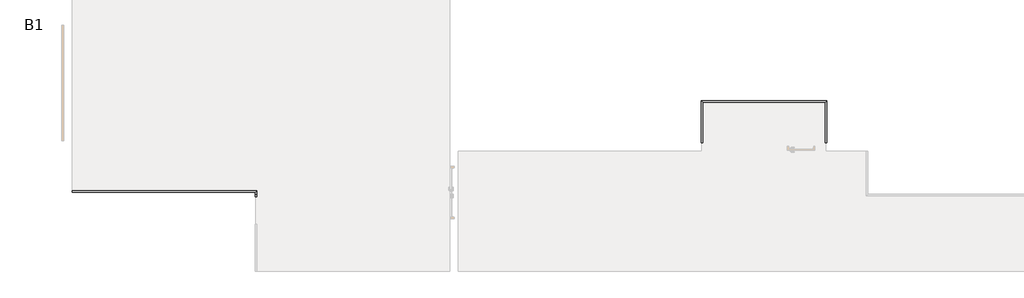
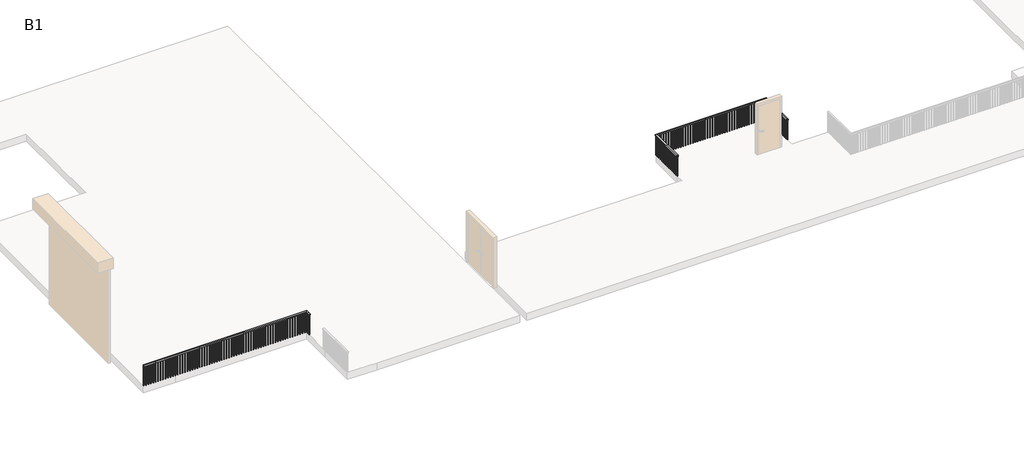
# One storey, part 3 of 6: 2 railings.
"""IFC4 building model written with IfcOpenShell, lengths in millimetres."""

from ifc_helpers import new_model, si_unit, frame, origin, place, context, project, spatial, polyline, outline, extrude, faceted_brep, element, save

model = new_model("IFC4")

# Units and contexts
model_context = context("Model", 3, world=origin())
ifc_project = project(units=[si_unit("LENGTHUNIT", "METRE", prefix="MILLI")], contexts=[model_context])

# Site, building, storey
site = spatial("IfcSite", under=ifc_project)
building = spatial("IfcBuilding", under=site)
storey = spatial("IfcBuildingStorey", under=building, Name="B1", Elevation=-6096.0)

# Railings
placement = place(None, origin())
element("IfcRailing", 1, ObjectType="Handrail - Rectangular", at=placement, inside=storey, context=model_context, shape_type="SolidModel", body=[
    faceted_brep([(4596.5599268, -13215.4558393, -5181.6), (4596.5599268, -13215.4558393, -5232.4), (4596.5599268, -13266.2558393, -5232.4), (4596.5599268, -13266.2558393, -5181.6), (11403.7599268, -13215.4558393, -5181.6), (11403.7599268, -13215.4558393, -5232.4), (11352.9599268, -13266.2558393, -5232.4), (11352.9599268, -13266.2558393, -5181.6), (11403.7599268, -13342.4558393, -5181.6), (11403.7599268, -13342.4558393, -5232.4), (11352.9599268, -13342.4558393, -5232.4), (11352.9599268, -13342.4558393, -5181.6), (11403.7599268, -13444.0558393, -5181.6), (11352.9599268, -13444.0558393, -5181.6), (11352.9599268, -13444.0558393, -5232.4), (11403.7599268, -13444.0558393, -5232.4)], [[[0, 1, 2, 3]], [[1, 0, 4, 5]], [[2, 1, 5, 6]], [[3, 2, 6, 7]], [[0, 3, 7, 4]], [[5, 4, 8, 9]], [[6, 5, 9, 10]], [[7, 6, 10, 11]], [[4, 7, 11, 8]], [[12, 13, 14, 15]], [[9, 8, 12, 15]], [[10, 9, 15, 14]], [[11, 10, 14, 13]], [[8, 11, 13, 12]]]),
    extrude(outline(polyline([(11292.6349268, -13250.3808393), (11292.6349268, -13231.3308393), (11311.6849268, -13231.3308393), (11311.6849268, -13250.3808393), (11292.6349268, -13250.3808393)])), frame((0.0, 0.0, -6096.0), z_axis=(0.0, 0.0, 1.0), x_axis=(1.0, 0.0, 0.0)), (0.0, 0.0, 1.0), 863.6),
    extrude(outline(polyline([(11191.0349268, -13250.3808393), (11191.0349268, -13231.3308393), (11210.0849268, -13231.3308393), (11210.0849268, -13250.3808393), (11191.0349268, -13250.3808393)])), frame((0.0, 0.0, -6096.0), z_axis=(0.0, 0.0, 1.0), x_axis=(1.0, 0.0, 0.0)), (0.0, 0.0, 1.0), 863.6),
    extrude(outline(polyline([(11089.4349268, -13250.3808393), (11089.4349268, -13231.3308393), (11108.4849268, -13231.3308393), (11108.4849268, -13250.3808393), (11089.4349268, -13250.3808393)])), frame((0.0, 0.0, -6096.0), z_axis=(0.0, 0.0, 1.0), x_axis=(1.0, 0.0, 0.0)), (0.0, 0.0, 1.0), 863.6),
    extrude(outline(polyline([(10987.8349268, -13250.3808393), (10987.8349268, -13231.3308393), (11006.8849268, -13231.3308393), (11006.8849268, -13250.3808393), (10987.8349268, -13250.3808393)])), frame((0.0, 0.0, -6096.0), z_axis=(0.0, 0.0, 1.0), x_axis=(1.0, 0.0, 0.0)), (0.0, 0.0, 1.0), 863.6),
    extrude(outline(polyline([(10886.2349268, -13250.3808393), (10886.2349268, -13231.3308393), (10905.2849268, -13231.3308393), (10905.2849268, -13250.3808393), (10886.2349268, -13250.3808393)])), frame((0.0, 0.0, -6096.0), z_axis=(0.0, 0.0, 1.0), x_axis=(1.0, 0.0, 0.0)), (0.0, 0.0, 1.0), 863.6),
    extrude(outline(polyline([(10784.6349268, -13250.3808393), (10784.6349268, -13231.3308393), (10803.6849268, -13231.3308393), (10803.6849268, -13250.3808393), (10784.6349268, -13250.3808393)])), frame((0.0, 0.0, -6096.0), z_axis=(0.0, 0.0, 1.0), x_axis=(1.0, 0.0, 0.0)), (0.0, 0.0, 1.0), 863.6),
    extrude(outline(polyline([(10683.0349268, -13250.3808393), (10683.0349268, -13231.3308393), (10702.0849268, -13231.3308393), (10702.0849268, -13250.3808393), (10683.0349268, -13250.3808393)])), frame((0.0, 0.0, -6096.0), z_axis=(0.0, 0.0, 1.0), x_axis=(1.0, 0.0, 0.0)), (0.0, 0.0, 1.0), 863.6),
    extrude(outline(polyline([(10581.4349268, -13250.3808393), (10581.4349268, -13231.3308393), (10600.4849268, -13231.3308393), (10600.4849268, -13250.3808393), (10581.4349268, -13250.3808393)])), frame((0.0, 0.0, -6096.0), z_axis=(0.0, 0.0, 1.0), x_axis=(1.0, 0.0, 0.0)), (0.0, 0.0, 1.0), 863.6),
    extrude(outline(polyline([(10479.8349268, -13250.3808393), (10479.8349268, -13231.3308393), (10498.8849268, -13231.3308393), (10498.8849268, -13250.3808393), (10479.8349268, -13250.3808393)])), frame((0.0, 0.0, -6096.0), z_axis=(0.0, 0.0, 1.0), x_axis=(1.0, 0.0, 0.0)), (0.0, 0.0, 1.0), 863.6),
    extrude(outline(polyline([(10378.2349268, -13250.3808393), (10378.2349268, -13231.3308393), (10397.2849268, -13231.3308393), (10397.2849268, -13250.3808393), (10378.2349268, -13250.3808393)])), frame((0.0, 0.0, -6096.0), z_axis=(0.0, 0.0, 1.0), x_axis=(1.0, 0.0, 0.0)), (0.0, 0.0, 1.0), 863.6),
    extrude(outline(polyline([(10276.6349268, -13250.3808393), (10276.6349268, -13231.3308393), (10295.6849268, -13231.3308393), (10295.6849268, -13250.3808393), (10276.6349268, -13250.3808393)])), frame((0.0, 0.0, -6096.0), z_axis=(0.0, 0.0, 1.0), x_axis=(1.0, 0.0, 0.0)), (0.0, 0.0, 1.0), 863.6),
    extrude(outline(polyline([(10175.0349268, -13250.3808393), (10175.0349268, -13231.3308393), (10194.0849268, -13231.3308393), (10194.0849268, -13250.3808393), (10175.0349268, -13250.3808393)])), frame((0.0, 0.0, -6096.0), z_axis=(0.0, 0.0, 1.0), x_axis=(1.0, 0.0, 0.0)), (0.0, 0.0, 1.0), 863.6),
    extrude(outline(polyline([(10073.4349268, -13250.3808393), (10073.4349268, -13231.3308393), (10092.4849268, -13231.3308393), (10092.4849268, -13250.3808393), (10073.4349268, -13250.3808393)])), frame((0.0, 0.0, -6096.0), z_axis=(0.0, 0.0, 1.0), x_axis=(1.0, 0.0, 0.0)), (0.0, 0.0, 1.0), 863.6),
    extrude(outline(polyline([(9971.8349268, -13250.3808393), (9971.8349268, -13231.3308393), (9990.8849268, -13231.3308393), (9990.8849268, -13250.3808393), (9971.8349268, -13250.3808393)])), frame((0.0, 0.0, -6096.0), z_axis=(0.0, 0.0, 1.0), x_axis=(1.0, 0.0, 0.0)), (0.0, 0.0, 1.0), 863.6),
    extrude(outline(polyline([(9870.2349268, -13250.3808393), (9870.2349268, -13231.3308393), (9889.2849268, -13231.3308393), (9889.2849268, -13250.3808393), (9870.2349268, -13250.3808393)])), frame((0.0, 0.0, -6096.0), z_axis=(0.0, 0.0, 1.0), x_axis=(1.0, 0.0, 0.0)), (0.0, 0.0, 1.0), 863.6),
    extrude(outline(polyline([(9768.6349268, -13250.3808393), (9768.6349268, -13231.3308393), (9787.6849268, -13231.3308393), (9787.6849268, -13250.3808393), (9768.6349268, -13250.3808393)])), frame((0.0, 0.0, -6096.0), z_axis=(0.0, 0.0, 1.0), x_axis=(1.0, 0.0, 0.0)), (0.0, 0.0, 1.0), 863.6),
    extrude(outline(polyline([(9667.0349268, -13250.3808393), (9667.0349268, -13231.3308393), (9686.0849268, -13231.3308393), (9686.0849268, -13250.3808393), (9667.0349268, -13250.3808393)])), frame((0.0, 0.0, -6096.0), z_axis=(0.0, 0.0, 1.0), x_axis=(1.0, 0.0, 0.0)), (0.0, 0.0, 1.0), 863.6),
    extrude(outline(polyline([(9565.4349268, -13250.3808393), (9565.4349268, -13231.3308393), (9584.4849268, -13231.3308393), (9584.4849268, -13250.3808393), (9565.4349268, -13250.3808393)])), frame((0.0, 0.0, -6096.0), z_axis=(0.0, 0.0, 1.0), x_axis=(1.0, 0.0, 0.0)), (0.0, 0.0, 1.0), 863.6),
    extrude(outline(polyline([(9463.8349268, -13250.3808393), (9463.8349268, -13231.3308393), (9482.8849268, -13231.3308393), (9482.8849268, -13250.3808393), (9463.8349268, -13250.3808393)])), frame((0.0, 0.0, -6096.0), z_axis=(0.0, 0.0, 1.0), x_axis=(1.0, 0.0, 0.0)), (0.0, 0.0, 1.0), 863.6),
    extrude(outline(polyline([(9362.2349268, -13250.3808393), (9362.2349268, -13231.3308393), (9381.2849268, -13231.3308393), (9381.2849268, -13250.3808393), (9362.2349268, -13250.3808393)])), frame((0.0, 0.0, -6096.0), z_axis=(0.0, 0.0, 1.0), x_axis=(1.0, 0.0, 0.0)), (0.0, 0.0, 1.0), 863.6),
    extrude(outline(polyline([(9260.6349268, -13250.3808393), (9260.6349268, -13231.3308393), (9279.6849268, -13231.3308393), (9279.6849268, -13250.3808393), (9260.6349268, -13250.3808393)])), frame((0.0, 0.0, -6096.0), z_axis=(0.0, 0.0, 1.0), x_axis=(1.0, 0.0, 0.0)), (0.0, 0.0, 1.0), 863.6),
    extrude(outline(polyline([(9159.0349268, -13250.3808393), (9159.0349268, -13231.3308393), (9178.0849268, -13231.3308393), (9178.0849268, -13250.3808393), (9159.0349268, -13250.3808393)])), frame((0.0, 0.0, -6096.0), z_axis=(0.0, 0.0, 1.0), x_axis=(1.0, 0.0, 0.0)), (0.0, 0.0, 1.0), 863.6),
    extrude(outline(polyline([(9057.4349268, -13250.3808393), (9057.4349268, -13231.3308393), (9076.4849268, -13231.3308393), (9076.4849268, -13250.3808393), (9057.4349268, -13250.3808393)])), frame((0.0, 0.0, -6096.0), z_axis=(0.0, 0.0, 1.0), x_axis=(1.0, 0.0, 0.0)), (0.0, 0.0, 1.0), 863.6),
    extrude(outline(polyline([(8955.8349268, -13250.3808393), (8955.8349268, -13231.3308393), (8974.8849268, -13231.3308393), (8974.8849268, -13250.3808393), (8955.8349268, -13250.3808393)])), frame((0.0, 0.0, -6096.0), z_axis=(0.0, 0.0, 1.0), x_axis=(1.0, 0.0, 0.0)), (0.0, 0.0, 1.0), 863.6),
    extrude(outline(polyline([(8854.2349268, -13250.3808393), (8854.2349268, -13231.3308393), (8873.2849268, -13231.3308393), (8873.2849268, -13250.3808393), (8854.2349268, -13250.3808393)])), frame((0.0, 0.0, -6096.0), z_axis=(0.0, 0.0, 1.0), x_axis=(1.0, 0.0, 0.0)), (0.0, 0.0, 1.0), 863.6),
    extrude(outline(polyline([(8752.6349268, -13250.3808393), (8752.6349268, -13231.3308393), (8771.6849268, -13231.3308393), (8771.6849268, -13250.3808393), (8752.6349268, -13250.3808393)])), frame((0.0, 0.0, -6096.0), z_axis=(0.0, 0.0, 1.0), x_axis=(1.0, 0.0, 0.0)), (0.0, 0.0, 1.0), 863.6),
    extrude(outline(polyline([(8651.0349268, -13250.3808393), (8651.0349268, -13231.3308393), (8670.0849268, -13231.3308393), (8670.0849268, -13250.3808393), (8651.0349268, -13250.3808393)])), frame((0.0, 0.0, -6096.0), z_axis=(0.0, 0.0, 1.0), x_axis=(1.0, 0.0, 0.0)), (0.0, 0.0, 1.0), 863.6),
    extrude(outline(polyline([(8549.4349268, -13250.3808393), (8549.4349268, -13231.3308393), (8568.4849268, -13231.3308393), (8568.4849268, -13250.3808393), (8549.4349268, -13250.3808393)])), frame((0.0, 0.0, -6096.0), z_axis=(0.0, 0.0, 1.0), x_axis=(1.0, 0.0, 0.0)), (0.0, 0.0, 1.0), 863.6),
    extrude(outline(polyline([(8447.8349268, -13250.3808393), (8447.8349268, -13231.3308393), (8466.8849268, -13231.3308393), (8466.8849268, -13250.3808393), (8447.8349268, -13250.3808393)])), frame((0.0, 0.0, -6096.0), z_axis=(0.0, 0.0, 1.0), x_axis=(1.0, 0.0, 0.0)), (0.0, 0.0, 1.0), 863.6),
    extrude(outline(polyline([(8346.2349268, -13250.3808393), (8346.2349268, -13231.3308393), (8365.2849268, -13231.3308393), (8365.2849268, -13250.3808393), (8346.2349268, -13250.3808393)])), frame((0.0, 0.0, -6096.0), z_axis=(0.0, 0.0, 1.0), x_axis=(1.0, 0.0, 0.0)), (0.0, 0.0, 1.0), 863.6),
    extrude(outline(polyline([(8244.6349268, -13250.3808393), (8244.6349268, -13231.3308393), (8263.6849268, -13231.3308393), (8263.6849268, -13250.3808393), (8244.6349268, -13250.3808393)])), frame((0.0, 0.0, -6096.0), z_axis=(0.0, 0.0, 1.0), x_axis=(1.0, 0.0, 0.0)), (0.0, 0.0, 1.0), 863.6),
    extrude(outline(polyline([(8143.0349268, -13250.3808393), (8143.0349268, -13231.3308393), (8162.0849268, -13231.3308393), (8162.0849268, -13250.3808393), (8143.0349268, -13250.3808393)])), frame((0.0, 0.0, -6096.0), z_axis=(0.0, 0.0, 1.0), x_axis=(1.0, 0.0, 0.0)), (0.0, 0.0, 1.0), 863.6),
    extrude(outline(polyline([(8041.4349268, -13250.3808393), (8041.4349268, -13231.3308393), (8060.4849268, -13231.3308393), (8060.4849268, -13250.3808393), (8041.4349268, -13250.3808393)])), frame((0.0, 0.0, -6096.0), z_axis=(0.0, 0.0, 1.0), x_axis=(1.0, 0.0, 0.0)), (0.0, 0.0, 1.0), 863.6),
    extrude(outline(polyline([(7939.8349268, -13250.3808393), (7939.8349268, -13231.3308393), (7958.8849268, -13231.3308393), (7958.8849268, -13250.3808393), (7939.8349268, -13250.3808393)])), frame((0.0, 0.0, -6096.0), z_axis=(0.0, 0.0, 1.0), x_axis=(1.0, 0.0, 0.0)), (0.0, 0.0, 1.0), 863.6),
    extrude(outline(polyline([(7838.2349268, -13250.3808393), (7838.2349268, -13231.3308393), (7857.2849268, -13231.3308393), (7857.2849268, -13250.3808393), (7838.2349268, -13250.3808393)])), frame((0.0, 0.0, -6096.0), z_axis=(0.0, 0.0, 1.0), x_axis=(1.0, 0.0, 0.0)), (0.0, 0.0, 1.0), 863.6),
    extrude(outline(polyline([(7736.6349268, -13250.3808393), (7736.6349268, -13231.3308393), (7755.6849268, -13231.3308393), (7755.6849268, -13250.3808393), (7736.6349268, -13250.3808393)])), frame((0.0, 0.0, -6096.0), z_axis=(0.0, 0.0, 1.0), x_axis=(1.0, 0.0, 0.0)), (0.0, 0.0, 1.0), 863.6),
    extrude(outline(polyline([(7635.0349268, -13250.3808393), (7635.0349268, -13231.3308393), (7654.0849268, -13231.3308393), (7654.0849268, -13250.3808393), (7635.0349268, -13250.3808393)])), frame((0.0, 0.0, -6096.0), z_axis=(0.0, 0.0, 1.0), x_axis=(1.0, 0.0, 0.0)), (0.0, 0.0, 1.0), 863.6),
    extrude(outline(polyline([(7533.4349268, -13250.3808393), (7533.4349268, -13231.3308393), (7552.4849268, -13231.3308393), (7552.4849268, -13250.3808393), (7533.4349268, -13250.3808393)])), frame((0.0, 0.0, -6096.0), z_axis=(0.0, 0.0, 1.0), x_axis=(1.0, 0.0, 0.0)), (0.0, 0.0, 1.0), 863.6),
    extrude(outline(polyline([(7431.8349268, -13250.3808393), (7431.8349268, -13231.3308393), (7450.8849268, -13231.3308393), (7450.8849268, -13250.3808393), (7431.8349268, -13250.3808393)])), frame((0.0, 0.0, -6096.0), z_axis=(0.0, 0.0, 1.0), x_axis=(1.0, 0.0, 0.0)), (0.0, 0.0, 1.0), 863.6),
    extrude(outline(polyline([(7330.2349268, -13250.3808393), (7330.2349268, -13231.3308393), (7349.2849268, -13231.3308393), (7349.2849268, -13250.3808393), (7330.2349268, -13250.3808393)])), frame((0.0, 0.0, -6096.0), z_axis=(0.0, 0.0, 1.0), x_axis=(1.0, 0.0, 0.0)), (0.0, 0.0, 1.0), 863.6),
    extrude(outline(polyline([(7228.6349268, -13250.3808393), (7228.6349268, -13231.3308393), (7247.6849268, -13231.3308393), (7247.6849268, -13250.3808393), (7228.6349268, -13250.3808393)])), frame((0.0, 0.0, -6096.0), z_axis=(0.0, 0.0, 1.0), x_axis=(1.0, 0.0, 0.0)), (0.0, 0.0, 1.0), 863.6),
    extrude(outline(polyline([(7127.0349268, -13250.3808393), (7127.0349268, -13231.3308393), (7146.0849268, -13231.3308393), (7146.0849268, -13250.3808393), (7127.0349268, -13250.3808393)])), frame((0.0, 0.0, -6096.0), z_axis=(0.0, 0.0, 1.0), x_axis=(1.0, 0.0, 0.0)), (0.0, 0.0, 1.0), 863.6),
    extrude(outline(polyline([(7025.4349268, -13250.3808393), (7025.4349268, -13231.3308393), (7044.4849268, -13231.3308393), (7044.4849268, -13250.3808393), (7025.4349268, -13250.3808393)])), frame((0.0, 0.0, -6096.0), z_axis=(0.0, 0.0, 1.0), x_axis=(1.0, 0.0, 0.0)), (0.0, 0.0, 1.0), 863.6),
    extrude(outline(polyline([(6923.8349268, -13250.3808393), (6923.8349268, -13231.3308393), (6942.8849268, -13231.3308393), (6942.8849268, -13250.3808393), (6923.8349268, -13250.3808393)])), frame((0.0, 0.0, -6096.0), z_axis=(0.0, 0.0, 1.0), x_axis=(1.0, 0.0, 0.0)), (0.0, 0.0, 1.0), 863.6),
    extrude(outline(polyline([(6822.2349268, -13250.3808393), (6822.2349268, -13231.3308393), (6841.2849268, -13231.3308393), (6841.2849268, -13250.3808393), (6822.2349268, -13250.3808393)])), frame((0.0, 0.0, -6096.0), z_axis=(0.0, 0.0, 1.0), x_axis=(1.0, 0.0, 0.0)), (0.0, 0.0, 1.0), 863.6),
    extrude(outline(polyline([(6720.6349268, -13250.3808393), (6720.6349268, -13231.3308393), (6739.6849268, -13231.3308393), (6739.6849268, -13250.3808393), (6720.6349268, -13250.3808393)])), frame((0.0, 0.0, -6096.0), z_axis=(0.0, 0.0, 1.0), x_axis=(1.0, 0.0, 0.0)), (0.0, 0.0, 1.0), 863.6),
    extrude(outline(polyline([(6619.0349268, -13250.3808393), (6619.0349268, -13231.3308393), (6638.0849268, -13231.3308393), (6638.0849268, -13250.3808393), (6619.0349268, -13250.3808393)])), frame((0.0, 0.0, -6096.0), z_axis=(0.0, 0.0, 1.0), x_axis=(1.0, 0.0, 0.0)), (0.0, 0.0, 1.0), 863.6),
    extrude(outline(polyline([(6517.4349268, -13250.3808393), (6517.4349268, -13231.3308393), (6536.4849268, -13231.3308393), (6536.4849268, -13250.3808393), (6517.4349268, -13250.3808393)])), frame((0.0, 0.0, -6096.0), z_axis=(0.0, 0.0, 1.0), x_axis=(1.0, 0.0, 0.0)), (0.0, 0.0, 1.0), 863.6),
    extrude(outline(polyline([(6415.8349268, -13250.3808393), (6415.8349268, -13231.3308393), (6434.8849268, -13231.3308393), (6434.8849268, -13250.3808393), (6415.8349268, -13250.3808393)])), frame((0.0, 0.0, -6096.0), z_axis=(0.0, 0.0, 1.0), x_axis=(1.0, 0.0, 0.0)), (0.0, 0.0, 1.0), 863.6),
    extrude(outline(polyline([(6314.2349268, -13250.3808393), (6314.2349268, -13231.3308393), (6333.2849268, -13231.3308393), (6333.2849268, -13250.3808393), (6314.2349268, -13250.3808393)])), frame((0.0, 0.0, -6096.0), z_axis=(0.0, 0.0, 1.0), x_axis=(1.0, 0.0, 0.0)), (0.0, 0.0, 1.0), 863.6),
    extrude(outline(polyline([(6212.6349268, -13250.3808393), (6212.6349268, -13231.3308393), (6231.6849268, -13231.3308393), (6231.6849268, -13250.3808393), (6212.6349268, -13250.3808393)])), frame((0.0, 0.0, -6096.0), z_axis=(0.0, 0.0, 1.0), x_axis=(1.0, 0.0, 0.0)), (0.0, 0.0, 1.0), 863.6),
    extrude(outline(polyline([(6111.0349268, -13250.3808393), (6111.0349268, -13231.3308393), (6130.0849268, -13231.3308393), (6130.0849268, -13250.3808393), (6111.0349268, -13250.3808393)])), frame((0.0, 0.0, -6096.0), z_axis=(0.0, 0.0, 1.0), x_axis=(1.0, 0.0, 0.0)), (0.0, 0.0, 1.0), 863.6),
    extrude(outline(polyline([(6009.4349268, -13250.3808393), (6009.4349268, -13231.3308393), (6028.4849268, -13231.3308393), (6028.4849268, -13250.3808393), (6009.4349268, -13250.3808393)])), frame((0.0, 0.0, -6096.0), z_axis=(0.0, 0.0, 1.0), x_axis=(1.0, 0.0, 0.0)), (0.0, 0.0, 1.0), 863.6),
    extrude(outline(polyline([(5907.8349268, -13250.3808393), (5907.8349268, -13231.3308393), (5926.8849268, -13231.3308393), (5926.8849268, -13250.3808393), (5907.8349268, -13250.3808393)])), frame((0.0, 0.0, -6096.0), z_axis=(0.0, 0.0, 1.0), x_axis=(1.0, 0.0, 0.0)), (0.0, 0.0, 1.0), 863.6),
    extrude(outline(polyline([(5806.2349268, -13250.3808393), (5806.2349268, -13231.3308393), (5825.2849268, -13231.3308393), (5825.2849268, -13250.3808393), (5806.2349268, -13250.3808393)])), frame((0.0, 0.0, -6096.0), z_axis=(0.0, 0.0, 1.0), x_axis=(1.0, 0.0, 0.0)), (0.0, 0.0, 1.0), 863.6),
    extrude(outline(polyline([(5704.6349268, -13250.3808393), (5704.6349268, -13231.3308393), (5723.6849268, -13231.3308393), (5723.6849268, -13250.3808393), (5704.6349268, -13250.3808393)])), frame((0.0, 0.0, -6096.0), z_axis=(0.0, 0.0, 1.0), x_axis=(1.0, 0.0, 0.0)), (0.0, 0.0, 1.0), 863.6),
    extrude(outline(polyline([(5603.0349268, -13250.3808393), (5603.0349268, -13231.3308393), (5622.0849268, -13231.3308393), (5622.0849268, -13250.3808393), (5603.0349268, -13250.3808393)])), frame((0.0, 0.0, -6096.0), z_axis=(0.0, 0.0, 1.0), x_axis=(1.0, 0.0, 0.0)), (0.0, 0.0, 1.0), 863.6),
    extrude(outline(polyline([(5501.4349268, -13250.3808393), (5501.4349268, -13231.3308393), (5520.4849268, -13231.3308393), (5520.4849268, -13250.3808393), (5501.4349268, -13250.3808393)])), frame((0.0, 0.0, -6096.0), z_axis=(0.0, 0.0, 1.0), x_axis=(1.0, 0.0, 0.0)), (0.0, 0.0, 1.0), 863.6),
    extrude(outline(polyline([(5399.8349268, -13250.3808393), (5399.8349268, -13231.3308393), (5418.8849268, -13231.3308393), (5418.8849268, -13250.3808393), (5399.8349268, -13250.3808393)])), frame((0.0, 0.0, -6096.0), z_axis=(0.0, 0.0, 1.0), x_axis=(1.0, 0.0, 0.0)), (0.0, 0.0, 1.0), 863.6),
    extrude(outline(polyline([(5298.2349268, -13250.3808393), (5298.2349268, -13231.3308393), (5317.2849268, -13231.3308393), (5317.2849268, -13250.3808393), (5298.2349268, -13250.3808393)])), frame((0.0, 0.0, -6096.0), z_axis=(0.0, 0.0, 1.0), x_axis=(1.0, 0.0, 0.0)), (0.0, 0.0, 1.0), 863.6),
    extrude(outline(polyline([(5196.6349268, -13250.3808393), (5196.6349268, -13231.3308393), (5215.6849268, -13231.3308393), (5215.6849268, -13250.3808393), (5196.6349268, -13250.3808393)])), frame((0.0, 0.0, -6096.0), z_axis=(0.0, 0.0, 1.0), x_axis=(1.0, 0.0, 0.0)), (0.0, 0.0, 1.0), 863.6),
    extrude(outline(polyline([(5095.0349268, -13250.3808393), (5095.0349268, -13231.3308393), (5114.0849268, -13231.3308393), (5114.0849268, -13250.3808393), (5095.0349268, -13250.3808393)])), frame((0.0, 0.0, -6096.0), z_axis=(0.0, 0.0, 1.0), x_axis=(1.0, 0.0, 0.0)), (0.0, 0.0, 1.0), 863.6),
    extrude(outline(polyline([(4993.4349268, -13250.3808393), (4993.4349268, -13231.3308393), (5012.4849268, -13231.3308393), (5012.4849268, -13250.3808393), (4993.4349268, -13250.3808393)])), frame((0.0, 0.0, -6096.0), z_axis=(0.0, 0.0, 1.0), x_axis=(1.0, 0.0, 0.0)), (0.0, 0.0, 1.0), 863.6),
    extrude(outline(polyline([(4891.8349268, -13250.3808393), (4891.8349268, -13231.3308393), (4910.8849268, -13231.3308393), (4910.8849268, -13250.3808393), (4891.8349268, -13250.3808393)])), frame((0.0, 0.0, -6096.0), z_axis=(0.0, 0.0, 1.0), x_axis=(1.0, 0.0, 0.0)), (0.0, 0.0, 1.0), 863.6),
    extrude(outline(polyline([(4790.2349268, -13250.3808393), (4790.2349268, -13231.3308393), (4809.2849268, -13231.3308393), (4809.2849268, -13250.3808393), (4790.2349268, -13250.3808393)])), frame((0.0, 0.0, -6096.0), z_axis=(0.0, 0.0, 1.0), x_axis=(1.0, 0.0, 0.0)), (0.0, 0.0, 1.0), 863.6),
    extrude(outline(polyline([(4688.6349268, -13250.3808393), (4688.6349268, -13231.3308393), (4707.6849268, -13231.3308393), (4707.6849268, -13250.3808393), (4688.6349268, -13250.3808393)])), frame((0.0, 0.0, -6096.0), z_axis=(0.0, 0.0, 1.0), x_axis=(1.0, 0.0, 0.0)), (0.0, 0.0, 1.0), 863.6),
    extrude(outline(polyline([(11368.8349268, -13332.9308393), (11387.8849268, -13332.9308393), (11387.8849268, -13351.9808393), (11368.8349268, -13351.9808393), (11368.8349268, -13332.9308393)])), frame((0.0, 0.0, -6096.0), z_axis=(0.0, 0.0, 1.0), x_axis=(1.0, 0.0, 0.0)), (0.0, 0.0, 1.0), 863.6),
    extrude(outline(polyline([(11368.8349268, -13250.3808393), (11368.8349268, -13231.3308393), (11387.8849268, -13231.3308393), (11387.8849268, -13250.3808393), (11368.8349268, -13250.3808393)])), frame((0.0, 0.0, -6096.0), z_axis=(0.0, 0.0, 1.0), x_axis=(1.0, 0.0, 0.0)), (0.0, 0.0, 1.0), 863.6),
    extrude(outline(polyline([(11368.8349268, -13425.0058393), (11387.8849268, -13425.0058393), (11387.8849268, -13444.0558393), (11368.8349268, -13444.0558393), (11368.8349268, -13425.0058393)])), frame((0.0, 0.0, -6096.0), z_axis=(0.0, 0.0, 1.0), x_axis=(1.0, 0.0, 0.0)), (0.0, 0.0, 1.0), 863.6),
    extrude(outline(polyline([(4596.5599268, -13250.3808393), (4596.5599268, -13231.3308393), (4615.6099268, -13231.3308393), (4615.6099268, -13250.3808393), (4596.5599268, -13250.3808393)])), frame((0.0, 0.0, -6096.0), z_axis=(0.0, 0.0, 1.0), x_axis=(1.0, 0.0, 0.0)), (0.0, 0.0, 1.0), 863.6),
])
element("IfcRailing", 2, ObjectType="Handrail - Rectangular", at=placement, inside=storey, context=model_context, shape_type="SolidModel", body=[
    faceted_brep([(27800.4485809, -11446.8219315, -5181.6), (27800.4485809, -11446.8219315, -5232.4), (27851.2485809, -11446.8219315, -5232.4), (27851.2485809, -11446.8219315, -5181.6), (27800.4485809, -9897.4219315, -5181.6), (27800.4485809, -9897.4219315, -5232.4), (27851.2485809, -9948.2219315, -5232.4), (27851.2485809, -9948.2219315, -5181.6), (32423.2485809, -9897.4219315, -5181.6), (32423.2485809, -9897.4219315, -5232.4), (32372.4485809, -9948.2219315, -5232.4), (32372.4485809, -9948.2219315, -5181.6), (32423.2485809, -11446.8219315, -5181.6), (32372.4485809, -11446.8219315, -5181.6), (32372.4485809, -11446.8219315, -5232.4), (32423.2485809, -11446.8219315, -5232.4)], [[[0, 1, 2, 3]], [[1, 0, 4, 5]], [[2, 1, 5, 6]], [[3, 2, 6, 7]], [[0, 3, 7, 4]], [[5, 4, 8, 9]], [[6, 5, 9, 10]], [[7, 6, 10, 11]], [[4, 7, 11, 8]], [[12, 13, 14, 15]], [[9, 8, 12, 15]], [[10, 9, 15, 14]], [[11, 10, 14, 13]], [[8, 11, 13, 12]]]),
    extrude(outline(polyline([(32388.3235809, -11335.6969315), (32407.3735809, -11335.6969315), (32407.3735809, -11354.7469315), (32388.3235809, -11354.7469315), (32388.3235809, -11335.6969315)])), frame((0.0, 0.0, -6096.0), z_axis=(0.0, 0.0, 1.0), x_axis=(1.0, 0.0, 0.0)), (0.0, 0.0, 1.0), 863.6),
    extrude(outline(polyline([(32388.3235809, -11234.0969315), (32407.3735809, -11234.0969315), (32407.3735809, -11253.1469315), (32388.3235809, -11253.1469315), (32388.3235809, -11234.0969315)])), frame((0.0, 0.0, -6096.0), z_axis=(0.0, 0.0, 1.0), x_axis=(1.0, 0.0, 0.0)), (0.0, 0.0, 1.0), 863.6),
    extrude(outline(polyline([(32388.3235809, -11132.4969315), (32407.3735809, -11132.4969315), (32407.3735809, -11151.5469315), (32388.3235809, -11151.5469315), (32388.3235809, -11132.4969315)])), frame((0.0, 0.0, -6096.0), z_axis=(0.0, 0.0, 1.0), x_axis=(1.0, 0.0, 0.0)), (0.0, 0.0, 1.0), 863.6),
    extrude(outline(polyline([(32388.3235809, -11030.8969315), (32407.3735809, -11030.8969315), (32407.3735809, -11049.9469315), (32388.3235809, -11049.9469315), (32388.3235809, -11030.8969315)])), frame((0.0, 0.0, -6096.0), z_axis=(0.0, 0.0, 1.0), x_axis=(1.0, 0.0, 0.0)), (0.0, 0.0, 1.0), 863.6),
    extrude(outline(polyline([(32388.3235809, -10929.2969315), (32407.3735809, -10929.2969315), (32407.3735809, -10948.3469315), (32388.3235809, -10948.3469315), (32388.3235809, -10929.2969315)])), frame((0.0, 0.0, -6096.0), z_axis=(0.0, 0.0, 1.0), x_axis=(1.0, 0.0, 0.0)), (0.0, 0.0, 1.0), 863.6),
    extrude(outline(polyline([(32388.3235809, -10827.6969315), (32407.3735809, -10827.6969315), (32407.3735809, -10846.7469315), (32388.3235809, -10846.7469315), (32388.3235809, -10827.6969315)])), frame((0.0, 0.0, -6096.0), z_axis=(0.0, 0.0, 1.0), x_axis=(1.0, 0.0, 0.0)), (0.0, 0.0, 1.0), 863.6),
    extrude(outline(polyline([(32388.3235809, -10726.0969315), (32407.3735809, -10726.0969315), (32407.3735809, -10745.1469315), (32388.3235809, -10745.1469315), (32388.3235809, -10726.0969315)])), frame((0.0, 0.0, -6096.0), z_axis=(0.0, 0.0, 1.0), x_axis=(1.0, 0.0, 0.0)), (0.0, 0.0, 1.0), 863.6),
    extrude(outline(polyline([(32388.3235809, -10624.4969315), (32407.3735809, -10624.4969315), (32407.3735809, -10643.5469315), (32388.3235809, -10643.5469315), (32388.3235809, -10624.4969315)])), frame((0.0, 0.0, -6096.0), z_axis=(0.0, 0.0, 1.0), x_axis=(1.0, 0.0, 0.0)), (0.0, 0.0, 1.0), 863.6),
    extrude(outline(polyline([(32388.3235809, -10522.8969315), (32407.3735809, -10522.8969315), (32407.3735809, -10541.9469315), (32388.3235809, -10541.9469315), (32388.3235809, -10522.8969315)])), frame((0.0, 0.0, -6096.0), z_axis=(0.0, 0.0, 1.0), x_axis=(1.0, 0.0, 0.0)), (0.0, 0.0, 1.0), 863.6),
    extrude(outline(polyline([(32388.3235809, -10421.2969315), (32407.3735809, -10421.2969315), (32407.3735809, -10440.3469315), (32388.3235809, -10440.3469315), (32388.3235809, -10421.2969315)])), frame((0.0, 0.0, -6096.0), z_axis=(0.0, 0.0, 1.0), x_axis=(1.0, 0.0, 0.0)), (0.0, 0.0, 1.0), 863.6),
    extrude(outline(polyline([(32388.3235809, -10319.6969315), (32407.3735809, -10319.6969315), (32407.3735809, -10338.7469315), (32388.3235809, -10338.7469315), (32388.3235809, -10319.6969315)])), frame((0.0, 0.0, -6096.0), z_axis=(0.0, 0.0, 1.0), x_axis=(1.0, 0.0, 0.0)), (0.0, 0.0, 1.0), 863.6),
    extrude(outline(polyline([(32388.3235809, -10218.0969315), (32407.3735809, -10218.0969315), (32407.3735809, -10237.1469315), (32388.3235809, -10237.1469315), (32388.3235809, -10218.0969315)])), frame((0.0, 0.0, -6096.0), z_axis=(0.0, 0.0, 1.0), x_axis=(1.0, 0.0, 0.0)), (0.0, 0.0, 1.0), 863.6),
    extrude(outline(polyline([(32388.3235809, -10116.4969315), (32407.3735809, -10116.4969315), (32407.3735809, -10135.5469315), (32388.3235809, -10135.5469315), (32388.3235809, -10116.4969315)])), frame((0.0, 0.0, -6096.0), z_axis=(0.0, 0.0, 1.0), x_axis=(1.0, 0.0, 0.0)), (0.0, 0.0, 1.0), 863.6),
    extrude(outline(polyline([(32388.3235809, -10014.8969315), (32407.3735809, -10014.8969315), (32407.3735809, -10033.9469315), (32388.3235809, -10033.9469315), (32388.3235809, -10014.8969315)])), frame((0.0, 0.0, -6096.0), z_axis=(0.0, 0.0, 1.0), x_axis=(1.0, 0.0, 0.0)), (0.0, 0.0, 1.0), 863.6),
    extrude(outline(polyline([(32286.7235809, -9932.3469315), (32286.7235809, -9913.2969315), (32305.7735809, -9913.2969315), (32305.7735809, -9932.3469315), (32286.7235809, -9932.3469315)])), frame((0.0, 0.0, -6096.0), z_axis=(0.0, 0.0, 1.0), x_axis=(1.0, 0.0, 0.0)), (0.0, 0.0, 1.0), 863.6),
    extrude(outline(polyline([(32185.1235809, -9932.3469315), (32185.1235809, -9913.2969315), (32204.1735809, -9913.2969315), (32204.1735809, -9932.3469315), (32185.1235809, -9932.3469315)])), frame((0.0, 0.0, -6096.0), z_axis=(0.0, 0.0, 1.0), x_axis=(1.0, 0.0, 0.0)), (0.0, 0.0, 1.0), 863.6),
    extrude(outline(polyline([(32083.5235809, -9932.3469315), (32083.5235809, -9913.2969315), (32102.5735809, -9913.2969315), (32102.5735809, -9932.3469315), (32083.5235809, -9932.3469315)])), frame((0.0, 0.0, -6096.0), z_axis=(0.0, 0.0, 1.0), x_axis=(1.0, 0.0, 0.0)), (0.0, 0.0, 1.0), 863.6),
    extrude(outline(polyline([(31981.9235809, -9932.3469315), (31981.9235809, -9913.2969315), (32000.9735809, -9913.2969315), (32000.9735809, -9932.3469315), (31981.9235809, -9932.3469315)])), frame((0.0, 0.0, -6096.0), z_axis=(0.0, 0.0, 1.0), x_axis=(1.0, 0.0, 0.0)), (0.0, 0.0, 1.0), 863.6),
    extrude(outline(polyline([(31880.3235809, -9932.3469315), (31880.3235809, -9913.2969315), (31899.3735809, -9913.2969315), (31899.3735809, -9932.3469315), (31880.3235809, -9932.3469315)])), frame((0.0, 0.0, -6096.0), z_axis=(0.0, 0.0, 1.0), x_axis=(1.0, 0.0, 0.0)), (0.0, 0.0, 1.0), 863.6),
    extrude(outline(polyline([(31778.7235809, -9932.3469315), (31778.7235809, -9913.2969315), (31797.7735809, -9913.2969315), (31797.7735809, -9932.3469315), (31778.7235809, -9932.3469315)])), frame((0.0, 0.0, -6096.0), z_axis=(0.0, 0.0, 1.0), x_axis=(1.0, 0.0, 0.0)), (0.0, 0.0, 1.0), 863.6),
    extrude(outline(polyline([(31677.1235809, -9932.3469315), (31677.1235809, -9913.2969315), (31696.1735809, -9913.2969315), (31696.1735809, -9932.3469315), (31677.1235809, -9932.3469315)])), frame((0.0, 0.0, -6096.0), z_axis=(0.0, 0.0, 1.0), x_axis=(1.0, 0.0, 0.0)), (0.0, 0.0, 1.0), 863.6),
    extrude(outline(polyline([(31575.5235809, -9932.3469315), (31575.5235809, -9913.2969315), (31594.5735809, -9913.2969315), (31594.5735809, -9932.3469315), (31575.5235809, -9932.3469315)])), frame((0.0, 0.0, -6096.0), z_axis=(0.0, 0.0, 1.0), x_axis=(1.0, 0.0, 0.0)), (0.0, 0.0, 1.0), 863.6),
    extrude(outline(polyline([(31473.9235809, -9932.3469315), (31473.9235809, -9913.2969315), (31492.9735809, -9913.2969315), (31492.9735809, -9932.3469315), (31473.9235809, -9932.3469315)])), frame((0.0, 0.0, -6096.0), z_axis=(0.0, 0.0, 1.0), x_axis=(1.0, 0.0, 0.0)), (0.0, 0.0, 1.0), 863.6),
    extrude(outline(polyline([(31372.3235809, -9932.3469315), (31372.3235809, -9913.2969315), (31391.3735809, -9913.2969315), (31391.3735809, -9932.3469315), (31372.3235809, -9932.3469315)])), frame((0.0, 0.0, -6096.0), z_axis=(0.0, 0.0, 1.0), x_axis=(1.0, 0.0, 0.0)), (0.0, 0.0, 1.0), 863.6),
    extrude(outline(polyline([(31270.7235809, -9932.3469315), (31270.7235809, -9913.2969315), (31289.7735809, -9913.2969315), (31289.7735809, -9932.3469315), (31270.7235809, -9932.3469315)])), frame((0.0, 0.0, -6096.0), z_axis=(0.0, 0.0, 1.0), x_axis=(1.0, 0.0, 0.0)), (0.0, 0.0, 1.0), 863.6),
    extrude(outline(polyline([(31169.1235809, -9932.3469315), (31169.1235809, -9913.2969315), (31188.1735809, -9913.2969315), (31188.1735809, -9932.3469315), (31169.1235809, -9932.3469315)])), frame((0.0, 0.0, -6096.0), z_axis=(0.0, 0.0, 1.0), x_axis=(1.0, 0.0, 0.0)), (0.0, 0.0, 1.0), 863.6),
    extrude(outline(polyline([(31067.5235809, -9932.3469315), (31067.5235809, -9913.2969315), (31086.5735809, -9913.2969315), (31086.5735809, -9932.3469315), (31067.5235809, -9932.3469315)])), frame((0.0, 0.0, -6096.0), z_axis=(0.0, 0.0, 1.0), x_axis=(1.0, 0.0, 0.0)), (0.0, 0.0, 1.0), 863.6),
    extrude(outline(polyline([(30965.9235809, -9932.3469315), (30965.9235809, -9913.2969315), (30984.9735809, -9913.2969315), (30984.9735809, -9932.3469315), (30965.9235809, -9932.3469315)])), frame((0.0, 0.0, -6096.0), z_axis=(0.0, 0.0, 1.0), x_axis=(1.0, 0.0, 0.0)), (0.0, 0.0, 1.0), 863.6),
    extrude(outline(polyline([(30864.3235809, -9932.3469315), (30864.3235809, -9913.2969315), (30883.3735809, -9913.2969315), (30883.3735809, -9932.3469315), (30864.3235809, -9932.3469315)])), frame((0.0, 0.0, -6096.0), z_axis=(0.0, 0.0, 1.0), x_axis=(1.0, 0.0, 0.0)), (0.0, 0.0, 1.0), 863.6),
    extrude(outline(polyline([(30762.7235809, -9932.3469315), (30762.7235809, -9913.2969315), (30781.7735809, -9913.2969315), (30781.7735809, -9932.3469315), (30762.7235809, -9932.3469315)])), frame((0.0, 0.0, -6096.0), z_axis=(0.0, 0.0, 1.0), x_axis=(1.0, 0.0, 0.0)), (0.0, 0.0, 1.0), 863.6),
    extrude(outline(polyline([(30661.1235809, -9932.3469315), (30661.1235809, -9913.2969315), (30680.1735809, -9913.2969315), (30680.1735809, -9932.3469315), (30661.1235809, -9932.3469315)])), frame((0.0, 0.0, -6096.0), z_axis=(0.0, 0.0, 1.0), x_axis=(1.0, 0.0, 0.0)), (0.0, 0.0, 1.0), 863.6),
    extrude(outline(polyline([(30559.5235809, -9932.3469315), (30559.5235809, -9913.2969315), (30578.5735809, -9913.2969315), (30578.5735809, -9932.3469315), (30559.5235809, -9932.3469315)])), frame((0.0, 0.0, -6096.0), z_axis=(0.0, 0.0, 1.0), x_axis=(1.0, 0.0, 0.0)), (0.0, 0.0, 1.0), 863.6),
    extrude(outline(polyline([(30457.9235809, -9932.3469315), (30457.9235809, -9913.2969315), (30476.9735809, -9913.2969315), (30476.9735809, -9932.3469315), (30457.9235809, -9932.3469315)])), frame((0.0, 0.0, -6096.0), z_axis=(0.0, 0.0, 1.0), x_axis=(1.0, 0.0, 0.0)), (0.0, 0.0, 1.0), 863.6),
    extrude(outline(polyline([(30356.3235809, -9932.3469315), (30356.3235809, -9913.2969315), (30375.3735809, -9913.2969315), (30375.3735809, -9932.3469315), (30356.3235809, -9932.3469315)])), frame((0.0, 0.0, -6096.0), z_axis=(0.0, 0.0, 1.0), x_axis=(1.0, 0.0, 0.0)), (0.0, 0.0, 1.0), 863.6),
    extrude(outline(polyline([(30254.7235809, -9932.3469315), (30254.7235809, -9913.2969315), (30273.7735809, -9913.2969315), (30273.7735809, -9932.3469315), (30254.7235809, -9932.3469315)])), frame((0.0, 0.0, -6096.0), z_axis=(0.0, 0.0, 1.0), x_axis=(1.0, 0.0, 0.0)), (0.0, 0.0, 1.0), 863.6),
    extrude(outline(polyline([(30153.1235809, -9932.3469315), (30153.1235809, -9913.2969315), (30172.1735809, -9913.2969315), (30172.1735809, -9932.3469315), (30153.1235809, -9932.3469315)])), frame((0.0, 0.0, -6096.0), z_axis=(0.0, 0.0, 1.0), x_axis=(1.0, 0.0, 0.0)), (0.0, 0.0, 1.0), 863.6),
    extrude(outline(polyline([(30051.5235809, -9932.3469315), (30051.5235809, -9913.2969315), (30070.5735809, -9913.2969315), (30070.5735809, -9932.3469315), (30051.5235809, -9932.3469315)])), frame((0.0, 0.0, -6096.0), z_axis=(0.0, 0.0, 1.0), x_axis=(1.0, 0.0, 0.0)), (0.0, 0.0, 1.0), 863.6),
    extrude(outline(polyline([(29949.9235809, -9932.3469315), (29949.9235809, -9913.2969315), (29968.9735809, -9913.2969315), (29968.9735809, -9932.3469315), (29949.9235809, -9932.3469315)])), frame((0.0, 0.0, -6096.0), z_axis=(0.0, 0.0, 1.0), x_axis=(1.0, 0.0, 0.0)), (0.0, 0.0, 1.0), 863.6),
    extrude(outline(polyline([(29848.3235809, -9932.3469315), (29848.3235809, -9913.2969315), (29867.3735809, -9913.2969315), (29867.3735809, -9932.3469315), (29848.3235809, -9932.3469315)])), frame((0.0, 0.0, -6096.0), z_axis=(0.0, 0.0, 1.0), x_axis=(1.0, 0.0, 0.0)), (0.0, 0.0, 1.0), 863.6),
    extrude(outline(polyline([(29746.7235809, -9932.3469315), (29746.7235809, -9913.2969315), (29765.7735809, -9913.2969315), (29765.7735809, -9932.3469315), (29746.7235809, -9932.3469315)])), frame((0.0, 0.0, -6096.0), z_axis=(0.0, 0.0, 1.0), x_axis=(1.0, 0.0, 0.0)), (0.0, 0.0, 1.0), 863.6),
    extrude(outline(polyline([(29645.1235809, -9932.3469315), (29645.1235809, -9913.2969315), (29664.1735809, -9913.2969315), (29664.1735809, -9932.3469315), (29645.1235809, -9932.3469315)])), frame((0.0, 0.0, -6096.0), z_axis=(0.0, 0.0, 1.0), x_axis=(1.0, 0.0, 0.0)), (0.0, 0.0, 1.0), 863.6),
    extrude(outline(polyline([(29543.5235809, -9932.3469315), (29543.5235809, -9913.2969315), (29562.5735809, -9913.2969315), (29562.5735809, -9932.3469315), (29543.5235809, -9932.3469315)])), frame((0.0, 0.0, -6096.0), z_axis=(0.0, 0.0, 1.0), x_axis=(1.0, 0.0, 0.0)), (0.0, 0.0, 1.0), 863.6),
    extrude(outline(polyline([(29441.9235809, -9932.3469315), (29441.9235809, -9913.2969315), (29460.9735809, -9913.2969315), (29460.9735809, -9932.3469315), (29441.9235809, -9932.3469315)])), frame((0.0, 0.0, -6096.0), z_axis=(0.0, 0.0, 1.0), x_axis=(1.0, 0.0, 0.0)), (0.0, 0.0, 1.0), 863.6),
    extrude(outline(polyline([(29340.3235809, -9932.3469315), (29340.3235809, -9913.2969315), (29359.3735809, -9913.2969315), (29359.3735809, -9932.3469315), (29340.3235809, -9932.3469315)])), frame((0.0, 0.0, -6096.0), z_axis=(0.0, 0.0, 1.0), x_axis=(1.0, 0.0, 0.0)), (0.0, 0.0, 1.0), 863.6),
    extrude(outline(polyline([(29238.7235809, -9932.3469315), (29238.7235809, -9913.2969315), (29257.7735809, -9913.2969315), (29257.7735809, -9932.3469315), (29238.7235809, -9932.3469315)])), frame((0.0, 0.0, -6096.0), z_axis=(0.0, 0.0, 1.0), x_axis=(1.0, 0.0, 0.0)), (0.0, 0.0, 1.0), 863.6),
    extrude(outline(polyline([(29137.1235809, -9932.3469315), (29137.1235809, -9913.2969315), (29156.1735809, -9913.2969315), (29156.1735809, -9932.3469315), (29137.1235809, -9932.3469315)])), frame((0.0, 0.0, -6096.0), z_axis=(0.0, 0.0, 1.0), x_axis=(1.0, 0.0, 0.0)), (0.0, 0.0, 1.0), 863.6),
    extrude(outline(polyline([(29035.5235809, -9932.3469315), (29035.5235809, -9913.2969315), (29054.5735809, -9913.2969315), (29054.5735809, -9932.3469315), (29035.5235809, -9932.3469315)])), frame((0.0, 0.0, -6096.0), z_axis=(0.0, 0.0, 1.0), x_axis=(1.0, 0.0, 0.0)), (0.0, 0.0, 1.0), 863.6),
    extrude(outline(polyline([(28933.9235809, -9932.3469315), (28933.9235809, -9913.2969315), (28952.9735809, -9913.2969315), (28952.9735809, -9932.3469315), (28933.9235809, -9932.3469315)])), frame((0.0, 0.0, -6096.0), z_axis=(0.0, 0.0, 1.0), x_axis=(1.0, 0.0, 0.0)), (0.0, 0.0, 1.0), 863.6),
    extrude(outline(polyline([(28832.3235809, -9932.3469315), (28832.3235809, -9913.2969315), (28851.3735809, -9913.2969315), (28851.3735809, -9932.3469315), (28832.3235809, -9932.3469315)])), frame((0.0, 0.0, -6096.0), z_axis=(0.0, 0.0, 1.0), x_axis=(1.0, 0.0, 0.0)), (0.0, 0.0, 1.0), 863.6),
    extrude(outline(polyline([(28730.7235809, -9932.3469315), (28730.7235809, -9913.2969315), (28749.7735809, -9913.2969315), (28749.7735809, -9932.3469315), (28730.7235809, -9932.3469315)])), frame((0.0, 0.0, -6096.0), z_axis=(0.0, 0.0, 1.0), x_axis=(1.0, 0.0, 0.0)), (0.0, 0.0, 1.0), 863.6),
    extrude(outline(polyline([(28629.1235809, -9932.3469315), (28629.1235809, -9913.2969315), (28648.1735809, -9913.2969315), (28648.1735809, -9932.3469315), (28629.1235809, -9932.3469315)])), frame((0.0, 0.0, -6096.0), z_axis=(0.0, 0.0, 1.0), x_axis=(1.0, 0.0, 0.0)), (0.0, 0.0, 1.0), 863.6),
    extrude(outline(polyline([(28527.5235809, -9932.3469315), (28527.5235809, -9913.2969315), (28546.5735809, -9913.2969315), (28546.5735809, -9932.3469315), (28527.5235809, -9932.3469315)])), frame((0.0, 0.0, -6096.0), z_axis=(0.0, 0.0, 1.0), x_axis=(1.0, 0.0, 0.0)), (0.0, 0.0, 1.0), 863.6),
    extrude(outline(polyline([(28425.9235809, -9932.3469315), (28425.9235809, -9913.2969315), (28444.9735809, -9913.2969315), (28444.9735809, -9932.3469315), (28425.9235809, -9932.3469315)])), frame((0.0, 0.0, -6096.0), z_axis=(0.0, 0.0, 1.0), x_axis=(1.0, 0.0, 0.0)), (0.0, 0.0, 1.0), 863.6),
    extrude(outline(polyline([(28324.3235809, -9932.3469315), (28324.3235809, -9913.2969315), (28343.3735809, -9913.2969315), (28343.3735809, -9932.3469315), (28324.3235809, -9932.3469315)])), frame((0.0, 0.0, -6096.0), z_axis=(0.0, 0.0, 1.0), x_axis=(1.0, 0.0, 0.0)), (0.0, 0.0, 1.0), 863.6),
    extrude(outline(polyline([(28222.7235809, -9932.3469315), (28222.7235809, -9913.2969315), (28241.7735809, -9913.2969315), (28241.7735809, -9932.3469315), (28222.7235809, -9932.3469315)])), frame((0.0, 0.0, -6096.0), z_axis=(0.0, 0.0, 1.0), x_axis=(1.0, 0.0, 0.0)), (0.0, 0.0, 1.0), 863.6),
    extrude(outline(polyline([(28121.1235809, -9932.3469315), (28121.1235809, -9913.2969315), (28140.1735809, -9913.2969315), (28140.1735809, -9932.3469315), (28121.1235809, -9932.3469315)])), frame((0.0, 0.0, -6096.0), z_axis=(0.0, 0.0, 1.0), x_axis=(1.0, 0.0, 0.0)), (0.0, 0.0, 1.0), 863.6),
    extrude(outline(polyline([(28019.5235809, -9932.3469315), (28019.5235809, -9913.2969315), (28038.5735809, -9913.2969315), (28038.5735809, -9932.3469315), (28019.5235809, -9932.3469315)])), frame((0.0, 0.0, -6096.0), z_axis=(0.0, 0.0, 1.0), x_axis=(1.0, 0.0, 0.0)), (0.0, 0.0, 1.0), 863.6),
    extrude(outline(polyline([(27917.9235809, -9932.3469315), (27917.9235809, -9913.2969315), (27936.9735809, -9913.2969315), (27936.9735809, -9932.3469315), (27917.9235809, -9932.3469315)])), frame((0.0, 0.0, -6096.0), z_axis=(0.0, 0.0, 1.0), x_axis=(1.0, 0.0, 0.0)), (0.0, 0.0, 1.0), 863.6),
    extrude(outline(polyline([(27835.3735809, -10033.9469315), (27816.3235809, -10033.9469315), (27816.3235809, -10014.8969315), (27835.3735809, -10014.8969315), (27835.3735809, -10033.9469315)])), frame((0.0, 0.0, -6096.0), z_axis=(0.0, 0.0, 1.0), x_axis=(1.0, 0.0, 0.0)), (0.0, 0.0, 1.0), 863.6),
    extrude(outline(polyline([(27835.3735809, -10135.5469315), (27816.3235809, -10135.5469315), (27816.3235809, -10116.4969315), (27835.3735809, -10116.4969315), (27835.3735809, -10135.5469315)])), frame((0.0, 0.0, -6096.0), z_axis=(0.0, 0.0, 1.0), x_axis=(1.0, 0.0, 0.0)), (0.0, 0.0, 1.0), 863.6),
    extrude(outline(polyline([(27835.3735809, -10237.1469315), (27816.3235809, -10237.1469315), (27816.3235809, -10218.0969315), (27835.3735809, -10218.0969315), (27835.3735809, -10237.1469315)])), frame((0.0, 0.0, -6096.0), z_axis=(0.0, 0.0, 1.0), x_axis=(1.0, 0.0, 0.0)), (0.0, 0.0, 1.0), 863.6),
    extrude(outline(polyline([(27835.3735809, -10338.7469315), (27816.3235809, -10338.7469315), (27816.3235809, -10319.6969315), (27835.3735809, -10319.6969315), (27835.3735809, -10338.7469315)])), frame((0.0, 0.0, -6096.0), z_axis=(0.0, 0.0, 1.0), x_axis=(1.0, 0.0, 0.0)), (0.0, 0.0, 1.0), 863.6),
    extrude(outline(polyline([(27835.3735809, -10440.3469315), (27816.3235809, -10440.3469315), (27816.3235809, -10421.2969315), (27835.3735809, -10421.2969315), (27835.3735809, -10440.3469315)])), frame((0.0, 0.0, -6096.0), z_axis=(0.0, 0.0, 1.0), x_axis=(1.0, 0.0, 0.0)), (0.0, 0.0, 1.0), 863.6),
    extrude(outline(polyline([(27835.3735809, -10541.9469315), (27816.3235809, -10541.9469315), (27816.3235809, -10522.8969315), (27835.3735809, -10522.8969315), (27835.3735809, -10541.9469315)])), frame((0.0, 0.0, -6096.0), z_axis=(0.0, 0.0, 1.0), x_axis=(1.0, 0.0, 0.0)), (0.0, 0.0, 1.0), 863.6),
    extrude(outline(polyline([(27835.3735809, -10643.5469315), (27816.3235809, -10643.5469315), (27816.3235809, -10624.4969315), (27835.3735809, -10624.4969315), (27835.3735809, -10643.5469315)])), frame((0.0, 0.0, -6096.0), z_axis=(0.0, 0.0, 1.0), x_axis=(1.0, 0.0, 0.0)), (0.0, 0.0, 1.0), 863.6),
    extrude(outline(polyline([(27835.3735809, -10745.1469315), (27816.3235809, -10745.1469315), (27816.3235809, -10726.0969315), (27835.3735809, -10726.0969315), (27835.3735809, -10745.1469315)])), frame((0.0, 0.0, -6096.0), z_axis=(0.0, 0.0, 1.0), x_axis=(1.0, 0.0, 0.0)), (0.0, 0.0, 1.0), 863.6),
    extrude(outline(polyline([(27835.3735809, -10846.7469315), (27816.3235809, -10846.7469315), (27816.3235809, -10827.6969315), (27835.3735809, -10827.6969315), (27835.3735809, -10846.7469315)])), frame((0.0, 0.0, -6096.0), z_axis=(0.0, 0.0, 1.0), x_axis=(1.0, 0.0, 0.0)), (0.0, 0.0, 1.0), 863.6),
    extrude(outline(polyline([(27835.3735809, -10948.3469315), (27816.3235809, -10948.3469315), (27816.3235809, -10929.2969315), (27835.3735809, -10929.2969315), (27835.3735809, -10948.3469315)])), frame((0.0, 0.0, -6096.0), z_axis=(0.0, 0.0, 1.0), x_axis=(1.0, 0.0, 0.0)), (0.0, 0.0, 1.0), 863.6),
    extrude(outline(polyline([(27835.3735809, -11049.9469315), (27816.3235809, -11049.9469315), (27816.3235809, -11030.8969315), (27835.3735809, -11030.8969315), (27835.3735809, -11049.9469315)])), frame((0.0, 0.0, -6096.0), z_axis=(0.0, 0.0, 1.0), x_axis=(1.0, 0.0, 0.0)), (0.0, 0.0, 1.0), 863.6),
    extrude(outline(polyline([(27835.3735809, -11151.5469315), (27816.3235809, -11151.5469315), (27816.3235809, -11132.4969315), (27835.3735809, -11132.4969315), (27835.3735809, -11151.5469315)])), frame((0.0, 0.0, -6096.0), z_axis=(0.0, 0.0, 1.0), x_axis=(1.0, 0.0, 0.0)), (0.0, 0.0, 1.0), 863.6),
    extrude(outline(polyline([(27835.3735809, -11253.1469315), (27816.3235809, -11253.1469315), (27816.3235809, -11234.0969315), (27835.3735809, -11234.0969315), (27835.3735809, -11253.1469315)])), frame((0.0, 0.0, -6096.0), z_axis=(0.0, 0.0, 1.0), x_axis=(1.0, 0.0, 0.0)), (0.0, 0.0, 1.0), 863.6),
    extrude(outline(polyline([(27835.3735809, -11354.7469315), (27816.3235809, -11354.7469315), (27816.3235809, -11335.6969315), (27835.3735809, -11335.6969315), (27835.3735809, -11354.7469315)])), frame((0.0, 0.0, -6096.0), z_axis=(0.0, 0.0, 1.0), x_axis=(1.0, 0.0, 0.0)), (0.0, 0.0, 1.0), 863.6),
    extrude(outline(polyline([(32388.3235809, -9932.3469315), (32388.3235809, -9913.2969315), (32407.3735809, -9913.2969315), (32407.3735809, -9932.3469315), (32388.3235809, -9932.3469315)])), frame((0.0, 0.0, -6096.0), z_axis=(0.0, 0.0, 1.0), x_axis=(1.0, 0.0, 0.0)), (0.0, 0.0, 1.0), 863.6),
    extrude(outline(polyline([(27835.3735809, -9932.3469315), (27816.3235809, -9932.3469315), (27816.3235809, -9913.2969315), (27835.3735809, -9913.2969315), (27835.3735809, -9932.3469315)])), frame((0.0, 0.0, -6096.0), z_axis=(0.0, 0.0, 1.0), x_axis=(1.0, 0.0, 0.0)), (0.0, 0.0, 1.0), 863.6),
    extrude(outline(polyline([(32388.3235809, -11427.7719315), (32407.3735809, -11427.7719315), (32407.3735809, -11446.8219315), (32388.3235809, -11446.8219315), (32388.3235809, -11427.7719315)])), frame((0.0, 0.0, -6096.0), z_axis=(0.0, 0.0, 1.0), x_axis=(1.0, 0.0, 0.0)), (0.0, 0.0, 1.0), 863.6),
    extrude(outline(polyline([(27835.3735809, -11446.8219315), (27816.3235809, -11446.8219315), (27816.3235809, -11427.7719315), (27835.3735809, -11427.7719315), (27835.3735809, -11446.8219315)])), frame((0.0, 0.0, -6096.0), z_axis=(0.0, 0.0, 1.0), x_axis=(1.0, 0.0, 0.0)), (0.0, 0.0, 1.0), 863.6),
])

save(model, "model.ifc")
